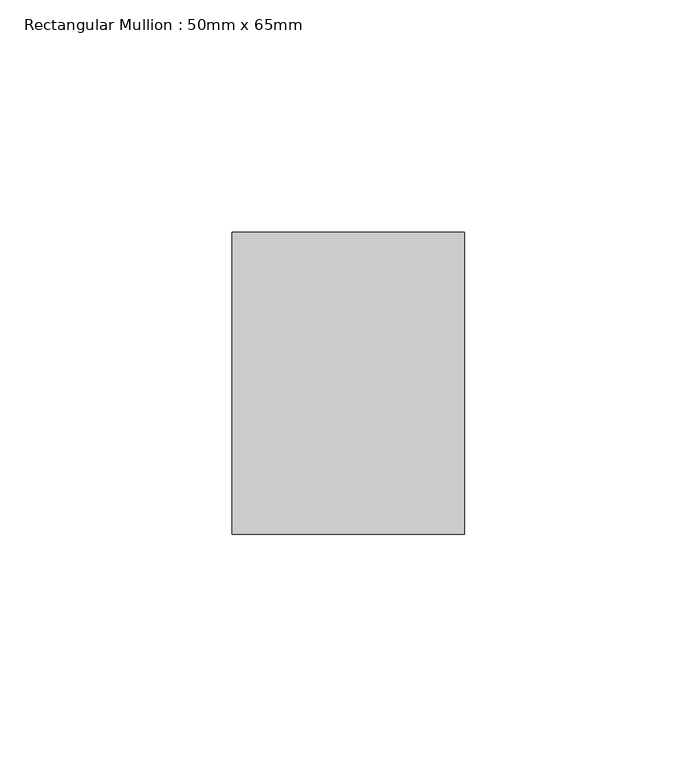
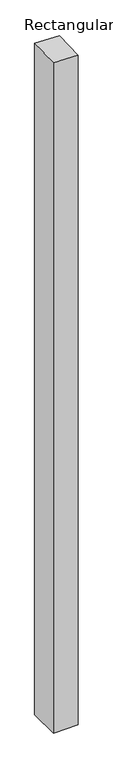
"""IFC4 building model written with IfcOpenShell, lengths in millimetres: member geometry, Rectangular Mullion : 50mm x 65mm."""

from ifc_helpers import new_model, si_unit, origin, place, context, project, spatial, faceted_brep, source, transform, mapped, element, save


def rectangular_mullion_50mm_x_65mm_858a3aa2(model_context):
    return source(origin(), model_context, "Body", "Brep", [
        faceted_brep([(25.0, 32.5, -1430.6587985), (25.0, -32.5, -1430.6587985), (-25.0, -32.5, -1430.6587985), (-25.0, 32.5, -1430.6587985), (-25.0, 32.5, 2.1647406), (25.0, 32.5, -0.0352958), (-25.0, -32.5, 0.0352958), (25.0, -32.5, -2.1647406)], [[[0, 1, 2, 3]], [[4, 5, 0, 3]], [[6, 4, 3, 2]], [[7, 6, 2, 1]], [[5, 7, 1, 0]], [[5, 4, 6, 7]]]),
    ])


if __name__ == "__main__":
    model = new_model("IFC4")
    model_context = context("Model", 3, world=origin())
    ifc_project = project(units=[si_unit("LENGTHUNIT", "METRE", prefix="MILLI")], contexts=[model_context])
    site = spatial("IfcSite", under=ifc_project)
    building = spatial("IfcBuilding", under=site)
    placement = place(None, origin())
    rectangular_mullion_50mm_x_65mm_shape = rectangular_mullion_50mm_x_65mm_858a3aa2(model_context)
    element("IfcMember", 1, ObjectType="Rectangular Mullion : 50mm x 65mm", at=placement, inside=building, context=model_context, shape_type="MappedRepresentation", body=[
        mapped(rectangular_mullion_50mm_x_65mm_shape, transform((0.0, 0.0, 0.0), x_axis=(1.0, 0.0, 0.0), y_axis=(0.0, 1.0, 0.0), z_axis=(0.0, 0.0, 1.0))),
    ])
    save(model, "model.ifc")
